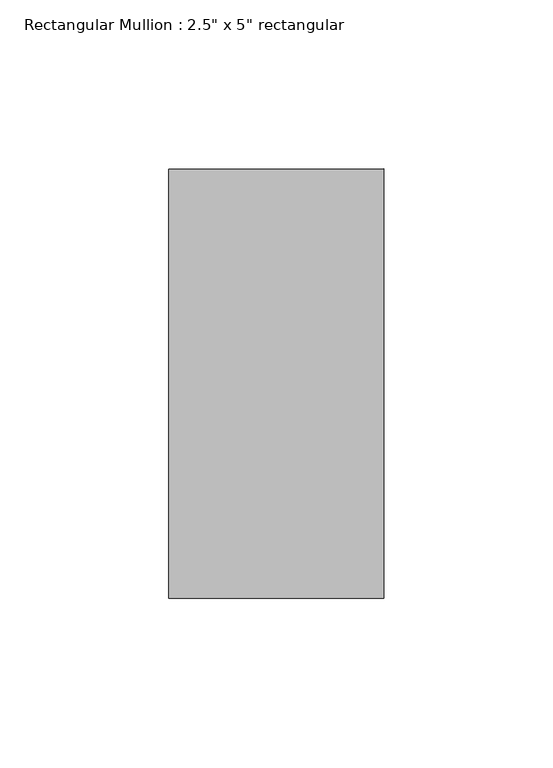
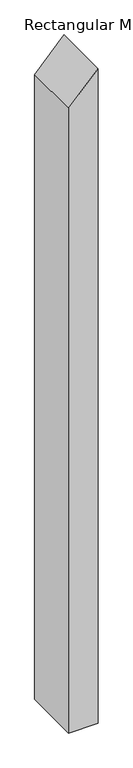
"""IFC4 building model written with IfcOpenShell, lengths in millimetres: member geometry."""

import ifcopenshell
import ifcopenshell.guid

model = None  # the IFC model being written
_history = None  # IfcOwnerHistory: only IFC2X3 demands one
_inside = {}  # id of a spatial element -> (the spatial element, [elements in it])
_under = {}  # id of a project, library or spatial element -> (it, [spatial elements below it])
_declared = {}  # id of a project -> (the project, [libraries it declares])
_typed = {}  # id of a type object -> (the type object, [elements of that type])
_made_of = {}  # id of a material, layer set ... -> (it, [elements and type objects made of it])


def new_model(schema):
    """Start an empty IFC model of exactly this schema.

    Asked for "IFC4X3", IfcOpenShell would pick the latest addendum, in which some entities
    have other attributes; the version numbers below select the first issue.
    IFC2X3 requires an IfcOwnerHistory on every rooted entity: one is made here for all.
    """
    global model, _history
    if schema == "IFC4X3":
        model = ifcopenshell.file(schema_version=(4, 3, 0, 0))
    else:
        model = ifcopenshell.file(schema=schema)
    _inside.clear()
    _under.clear()
    _declared.clear()
    _typed.clear()
    _made_of.clear()
    _history = None
    if model.schema == "IFC2X3":
        org = make("IfcOrganization", Name="unknown")
        user = make(
            "IfcPersonAndOrganization",
            ThePerson=make("IfcPerson", FamilyName="unknown"),
            TheOrganization=org,
        )
        app = make(
            "IfcApplication",
            ApplicationDeveloper=org,
            Version="unknown",
            ApplicationFullName="unknown",
            ApplicationIdentifier="unknown",
        )
        _history = make(
            "IfcOwnerHistory",
            OwningUser=user,
            OwningApplication=app,
            ChangeAction="ADDED",
            CreationDate=0,
        )
    return model


def make(cls, **values):
    """One entity of the class cls with the attributes given. An attribute that is None is left unset."""
    return model.create_entity(
        cls, **{name: value for name, value in values.items() if value is not None}
    )


def rooted(cls, **values):
    """An entity with a GlobalId (a new one), such as an element, a storey or a relation."""
    return make(cls, GlobalId=ifcopenshell.guid.new(), OwnerHistory=_history, **values)


def si_unit(unit_type, name, prefix=None):
    """IfcSIUnit, for example si_unit("LENGTHUNIT", "METRE", prefix="MILLI")."""
    return make("IfcSIUnit", UnitType=unit_type, Prefix=prefix, Name=name)


def assignment(units):
    """IfcUnitAssignment: the units of a project."""
    return None if units is None else make("IfcUnitAssignment", Units=units)


def point(xyz):
    """IfcCartesianPoint."""
    return None if xyz is None else make("IfcCartesianPoint", Coordinates=xyz)


def direction(xyz):
    """IfcDirection."""
    return None if xyz is None else make("IfcDirection", DirectionRatios=xyz)


def frame(location, z_axis=None, x_axis=None):
    """IfcAxis2Placement3D, a coordinate frame: its origin and axes. An axis left out is left unset."""
    return make(
        "IfcAxis2Placement3D",
        Location=point(location),
        Axis=direction(z_axis),
        RefDirection=direction(x_axis),
    )


def origin():
    """The frame at (0, 0, 0) with its axes left unset."""
    return frame((0.0, 0.0, 0.0))


def place(relative_to, where):
    """IfcLocalPlacement: puts the frame where relative to a parent placement (None: the world)."""
    return make(
        "IfcLocalPlacement", PlacementRelTo=relative_to, RelativePlacement=where
    )


def context(
    kind, dimensions, precision=None, world=None, true_north=None, identifier=None
):
    """IfcGeometricRepresentationContext, for example the 3D "Model" context."""
    return make(
        "IfcGeometricRepresentationContext",
        ContextIdentifier=identifier,
        ContextType=kind,
        CoordinateSpaceDimension=dimensions,
        Precision=precision,
        WorldCoordinateSystem=world,
        TrueNorth=true_north,
    )


def project(units=None, contexts=None):
    """IfcProject with its units and contexts."""
    return rooted(
        "IfcProject",
        Name="project",
        RepresentationContexts=contexts,
        UnitsInContext=assignment(units),
    )


def spatial(cls, under=None, at=None, **own):
    """A site, building, storey or space (cls), placed at a placement, below another one or the project."""
    s = rooted(cls, ObjectPlacement=at, **own)
    if under is not None:
        _under.setdefault(under.id(), (under, []))[1].append(s)
    return s


def polyline(points):
    """IfcPolyline through the points."""
    return make("IfcPolyline", Points=[point(p) for p in points])


def outline(outer, holes=None, kind="AREA"):
    """IfcArbitraryClosedProfileDef: a profile drawn as a closed curve; with holes, ...WithVoids."""
    if holes is None:
        return make("IfcArbitraryClosedProfileDef", ProfileType=kind, OuterCurve=outer)
    return make(
        "IfcArbitraryProfileDefWithVoids",
        ProfileType=kind,
        OuterCurve=outer,
        InnerCurves=holes,
    )


def extrude(swept, where, along, depth):
    """IfcExtrudedAreaSolid: the profile swept, set in the frame where, extruded along a direction by depth."""
    return make(
        "IfcExtrudedAreaSolid",
        SweptArea=swept,
        Position=where,
        ExtrudedDirection=direction(along),
        Depth=depth,
    )


def shape(context_of_items, identifier, shape_type, items):
    """IfcShapeRepresentation: the items that make up one representation, for example the "Body"."""
    return make(
        "IfcShapeRepresentation",
        ContextOfItems=context_of_items,
        RepresentationIdentifier=identifier,
        RepresentationType=shape_type,
        Items=items,
    )


def source(mapping_origin, context_of_items, identifier, shape_type, items):
    """IfcRepresentationMap: a shape defined once, which mapped items show again and again."""
    return make(
        "IfcRepresentationMap",
        MappingOrigin=mapping_origin,
        MappedRepresentation=shape(context_of_items, identifier, shape_type, items),
    )


def transform(
    local_origin,
    x_axis=None,
    y_axis=None,
    z_axis=None,
    scale=None,
    scale2=None,
    scale3=None,
    uniform=True,
):
    """IfcCartesianTransformationOperator3D, or its non-uniform kind. x_axis, y_axis, z_axis: its Axis1, 2, 3."""
    if uniform:
        return make(
            "IfcCartesianTransformationOperator3D",
            Axis1=direction(x_axis),
            Axis2=direction(y_axis),
            LocalOrigin=point(local_origin),
            Scale=scale,
            Axis3=direction(z_axis),
        )
    return make(
        "IfcCartesianTransformationOperator3DnonUniform",
        Axis1=direction(x_axis),
        Axis2=direction(y_axis),
        LocalOrigin=point(local_origin),
        Scale=scale,
        Axis3=direction(z_axis),
        Scale2=scale2,
        Scale3=scale3,
    )


def mapped(mapping_source, mapping_target):
    """IfcMappedItem: shows the shape of a source again, moved by a transform."""
    return make(
        "IfcMappedItem", MappingSource=mapping_source, MappingTarget=mapping_target
    )


def made_of(thing, what):
    """Note that an element or type object is made of a material, layer set ...; save() writes the relation."""
    if what is not None:
        _made_of.setdefault(what.id(), (what, []))[1].append(thing)
    return thing


def element(
    cls,
    number,
    at=None,
    inside=None,
    cuts=None,
    type_object=None,
    material=None,
    context=None,
    identifier="Body",
    shape_type=None,
    held_by="IfcProductDefinitionShape",
    body=None,
    shapes=None,
    **own,
):
    """One element of the class cls, such as IfcWall. Its Tag is "e" and its number.

    at: its placement. inside: the storey or other place that contains it. cuts: it is an
    opening in that element (IfcRelVoidsElement). A single representation is given by context,
    identifier, shape_type and body (its items); several are given by shapes. held_by: the class
    of the entity that holds the representations. save() writes the other relations.
    """
    e = rooted(cls, Tag="e%d" % number, ObjectPlacement=at, **own)
    if body is not None:
        shapes = [shape(context, identifier, shape_type, body)]
    if shapes is not None:
        e.Representation = make(held_by, Representations=shapes)
    if inside is not None:
        _inside.setdefault(inside.id(), (inside, []))[1].append(e)
    if cuts is not None:
        rooted(
            "IfcRelVoidsElement", RelatingBuildingElement=cuts, RelatedOpeningElement=e
        )
    if type_object is not None:
        _typed.setdefault(type_object.id(), (type_object, []))[1].append(e)
    return made_of(e, material)


def aggregate(whole, parts):
    """IfcRelAggregates: a whole, such as a stair, and the parts it consists of."""
    return rooted("IfcRelAggregates", RelatingObject=whole, RelatedObjects=parts)


def save(model, path):
    """Write the relations noted so far, then the file.

    IfcRelAggregates (storeys below a building ...), IfcRelContainedInSpatialStructure (elements
    in a storey), IfcRelDefinesByType, IfcRelAssociatesMaterial and IfcRelDeclares: one each for
    every whole, place, type object, material and project.
    """
    for whole, parts in _under.values():
        aggregate(whole, parts)
    for where, things in _inside.values():
        rooted(
            "IfcRelContainedInSpatialStructure",
            RelatedElements=things,
            RelatingStructure=where,
        )
    for kind, things in _typed.values():
        rooted("IfcRelDefinesByType", RelatedObjects=things, RelatingType=kind)
    for what, things in _made_of.values():
        rooted("IfcRelAssociatesMaterial", RelatedObjects=things, RelatingMaterial=what)
    for by, libraries in _declared.values():
        rooted("IfcRelDeclares", RelatingContext=by, RelatedDefinitions=libraries)
    model.write(path)


def member_85e2df79(model_context):
    return source(origin(), model_context, "Body", "SweptSolid", [
        extrude(outline(polyline([(0.0, 0.0), (-68.7151951, -63.5), (-1497.4683715, -63.5), (-1497.4683715, 0.0), (0.0, 0.0)])), frame((0.0, -63.5, 0.0), z_axis=(0.0, 1.0, 0.0), x_axis=(0.0, 0.0, 1.0)), (0.0, 0.0, 1.0), 127.0),
    ])


if __name__ == "__main__":
    model = new_model("IFC4")
    model_context = context("Model", 3, world=origin())
    ifc_project = project(units=[si_unit("LENGTHUNIT", "METRE", prefix="MILLI")], contexts=[model_context])
    site = spatial("IfcSite", under=ifc_project)
    building = spatial("IfcBuilding", under=site)
    placement = place(None, origin())
    member_shape = member_85e2df79(model_context)
    element("IfcMember", 1, ObjectType="Rectangular Mullion : 2.5\" x 5\" rectangular", at=placement, inside=building, context=model_context, shape_type="MappedRepresentation", body=[
        mapped(member_shape, transform((0.0, 0.0, 0.0), x_axis=(1.0, 0.0, 0.0), y_axis=(0.0, 1.0, 0.0), z_axis=(0.0, 0.0, 1.0))),
    ])
    save(model, "model.ifc")
